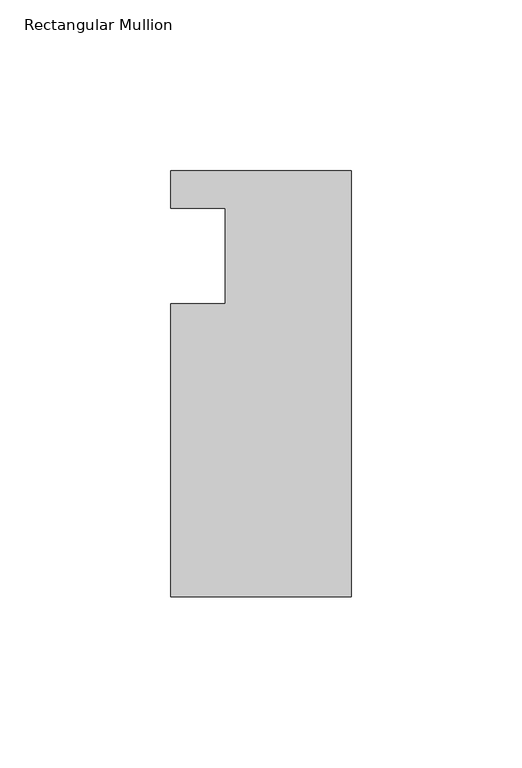
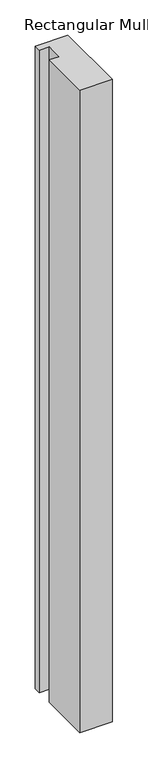
"""IFC4 building model written with IfcOpenShell, lengths in millimetres: member geometry, Rectangular Mullion."""

from ifc_helpers import new_model, si_unit, frame, origin, place, context, project, spatial, polyline, outline, extrude, source, transform, mapped, element, save


def rectangular_mullion_70743ae4(model_context):
    return source(origin(), model_context, "Body", "SweptSolid", [
        extrude(outline(polyline([(0.0, 25.0), (0.0, -100.0), (-53.0, -100.0), (-53.0, -13.9998907), (-37.0, -13.9998907), (-37.0, 14.0), (-53.0, 14.0), (-53.0, 25.0), (0.0, 25.0)])), frame((0.0, 0.0, -1108.0099627), z_axis=(0.0, 0.0, 1.0), x_axis=(1.0, 0.0, 0.0)), (0.0, 0.0, 1.0), 1108.0099627),
    ])


if __name__ == "__main__":
    model = new_model("IFC4")
    model_context = context("Model", 3, world=origin())
    ifc_project = project(units=[si_unit("LENGTHUNIT", "METRE", prefix="MILLI")], contexts=[model_context])
    site = spatial("IfcSite", under=ifc_project)
    building = spatial("IfcBuilding", under=site)
    placement = place(None, origin())
    rectangular_mullion_shape = rectangular_mullion_70743ae4(model_context)
    element("IfcMember", 1, ObjectType="Rectangular Mullion", at=placement, inside=building, context=model_context, shape_type="MappedRepresentation", body=[
        mapped(rectangular_mullion_shape, transform((0.0, 0.0, 0.0), x_axis=(1.0, 0.0, 0.0), y_axis=(0.0, 1.0, 0.0), z_axis=(0.0, 0.0, 1.0))),
    ])
    save(model, "model.ifc")
